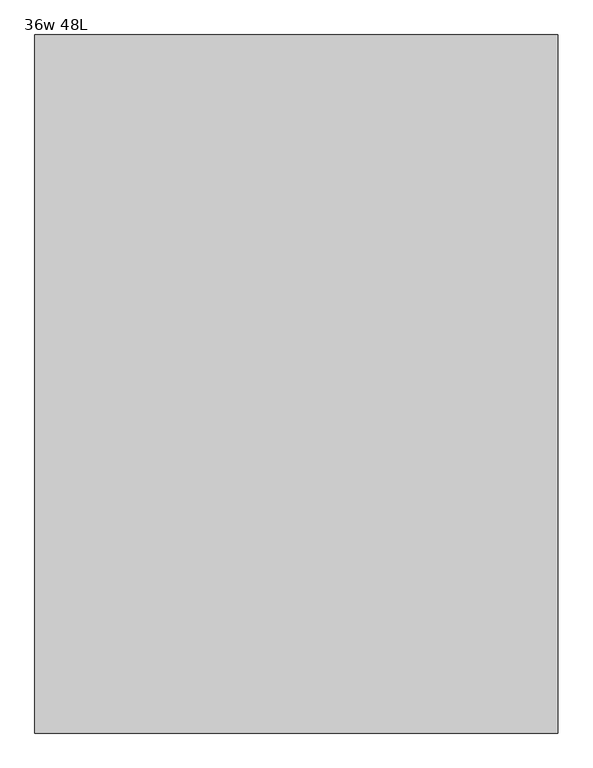
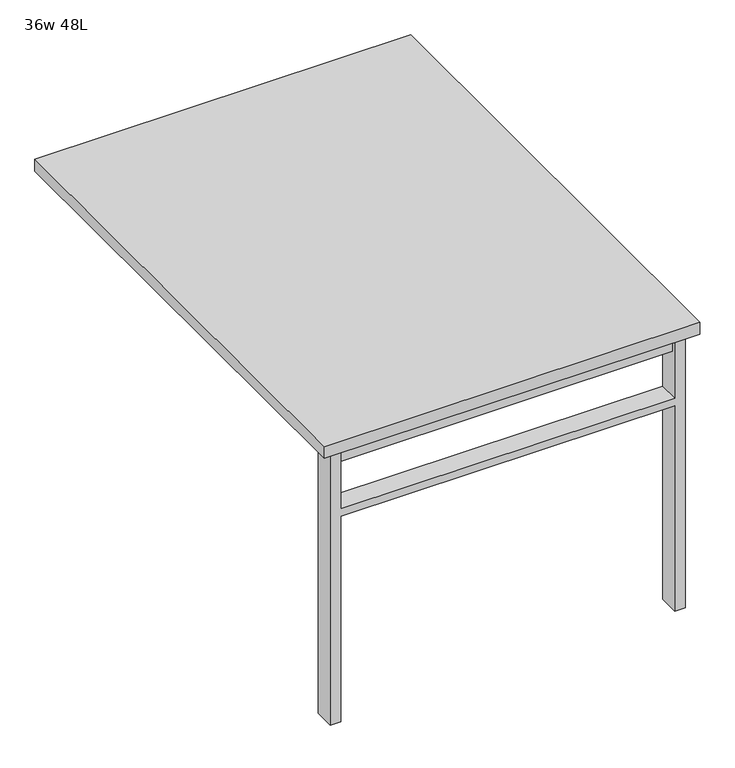
"""IFC4 building model written with IfcOpenShell, lengths in millimetres: furniture geometry, 36w 48L."""

from ifc_helpers import new_model, si_unit, frame, origin, place, context, project, spatial, polyline, outline, extrude, source, transform, mapped, element, save


def furniture_36w_48l_59702ec5(model_context):
    return source(origin(), model_context, "Body", "SweptSolid", [
        extrude(outline(polyline([(-406.4, -549.275), (406.4, -549.275), (406.4, -581.025), (-406.4, -581.025), (-406.4, -549.275)])), frame((0.0, 0.0, 661.9875), z_axis=(0.0, 0.0, 1.0), x_axis=(1.0, 0.0, 0.0)), (0.0, 0.0, 1.0), 44.45),
        extrude(outline(polyline([(528.6375, 406.4), (0.0, 406.4), (0.0, 431.8), (706.4375, 431.8), (706.4375, 406.4), (547.6875, 406.4), (547.6875, -406.4), (706.4375, -406.4), (706.4375, -431.8), (0.0, -431.8), (0.0, -406.4), (528.6375, -406.4), (528.6375, 406.4)])), frame((0.0, -590.55, 0.0), z_axis=(0.0, 1.0, 0.0), x_axis=(0.0, 0.0, 1.0)), (0.0, 0.0, 1.0), 50.8),
        extrude(outline(polyline([(-457.2, -609.6), (-457.2, 609.6), (457.2, 609.6), (457.2, -609.6), (-457.2, -609.6)])), frame((0.0, 0.0, 706.4375), z_axis=(0.0, 0.0, 1.0), x_axis=(1.0, 0.0, 0.0)), (0.0, 0.0, 1.0), 30.1625),
    ])


if __name__ == "__main__":
    model = new_model("IFC4")
    model_context = context("Model", 3, world=origin())
    ifc_project = project(units=[si_unit("LENGTHUNIT", "METRE", prefix="MILLI")], contexts=[model_context])
    site = spatial("IfcSite", under=ifc_project)
    building = spatial("IfcBuilding", under=site)
    placement = place(None, origin())
    furniture_36w_48l_shape = furniture_36w_48l_59702ec5(model_context)
    element("IfcFurniture", 1, ObjectType="36w 48L", at=placement, inside=building, context=model_context, shape_type="MappedRepresentation", body=[
        mapped(furniture_36w_48l_shape, transform((0.0, 0.0, 0.0), x_axis=(1.0, 0.0, 0.0), y_axis=(0.0, 1.0, 0.0), z_axis=(0.0, 0.0, 1.0))),
    ])
    save(model, "model.ifc")
